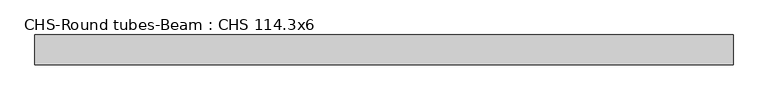
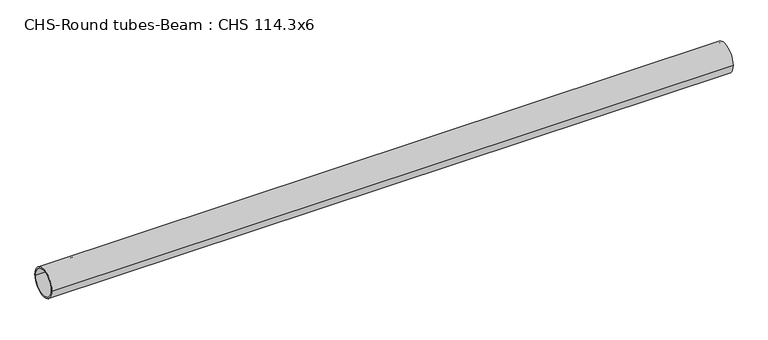
"""IFC4 building model written with IfcOpenShell, lengths in millimetres: beam geometry, CHS-Round tubes-Beam : CHS 114.3x6."""

from ifc_helpers import new_model, si_unit, point, frame, origin, origin_2d, place, context, project, spatial, circle_curve, trimmed, segment, composite_curve, outline, extrude, source, transform, mapped, element, save


def chs_round_tubes_beam_chs_114_3x6_4ab65488(model_context):
    return source(origin(), model_context, "Body", "SweptSolid", [
        extrude(outline(composite_curve([segment(trimmed(circle_curve(origin_2d(), 57.15), [point((57.15, 0.0))], [point((-57.15, 0.0))], False, "CARTESIAN"), True, "CONTINUOUS"), segment(trimmed(circle_curve(origin_2d(), 57.15), [point((-57.15, 0.0))], [point((57.15, 0.0))], False, "CARTESIAN"), True, "CONTINUOUS")], self_intersect=False), holes=[composite_curve([segment(trimmed(circle_curve(origin_2d(), 51.15), [point((51.15, 0.0))], [point((-51.15, 0.0))], True, "CARTESIAN"), True, "CONTINUOUS"), segment(trimmed(circle_curve(origin_2d(), 51.15), [point((-51.15, 0.0))], [point((51.15, 0.0))], True, "CARTESIAN"), True, "CONTINUOUS")], self_intersect=False)]), frame((-1293.6039157, 0.0, 0.0), z_axis=(1.0, 0.0, 0.0), x_axis=(0.0, 1.0, 0.0)), (0.0, 0.0, 1.0), 2674.8860638),
    ])


if __name__ == "__main__":
    model = new_model("IFC4")
    model_context = context("Model", 3, world=origin())
    ifc_project = project(units=[si_unit("LENGTHUNIT", "METRE", prefix="MILLI")], contexts=[model_context])
    site = spatial("IfcSite", under=ifc_project)
    building = spatial("IfcBuilding", under=site)
    placement = place(None, origin())
    chs_round_tubes_beam_chs_114_3x6_shape = chs_round_tubes_beam_chs_114_3x6_4ab65488(model_context)
    element("IfcBeam", 1, ObjectType="CHS-Round tubes-Beam : CHS 114.3x6", at=placement, inside=building, context=model_context, shape_type="MappedRepresentation", body=[
        mapped(chs_round_tubes_beam_chs_114_3x6_shape, transform((0.0, 0.0, 0.0), x_axis=(1.0, 0.0, 0.0), y_axis=(0.0, 1.0, 0.0), z_axis=(0.0, 0.0, 1.0))),
    ])
    save(model, "model.ifc")
